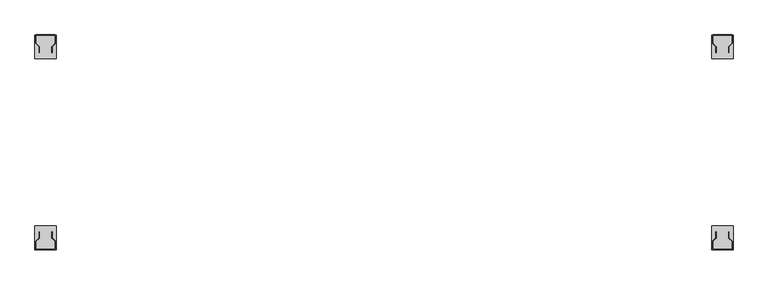
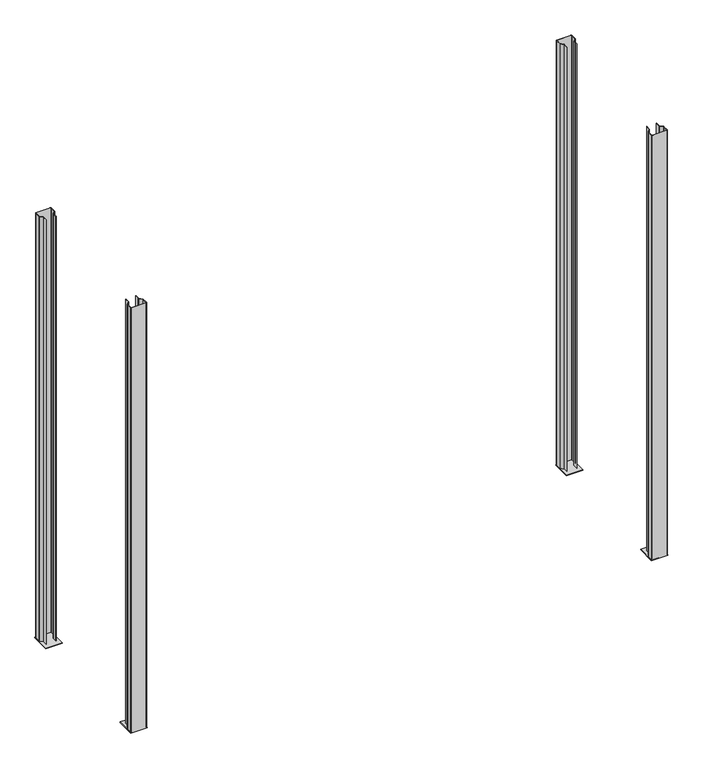
"""IFC4 building model written with IfcOpenShell, lengths in millimetres: furniture geometry."""

from ifc_helpers import new_model, si_unit, frame, origin, place, context, project, spatial, polyline, circle_curve, source, transform, mapped, element, save
from ifc_brep_helpers import plane_surface, cylinder_surface, revolved_surface, advanced_brep


def furniture_7e62ed96(model_context):
    return source(origin(), model_context, "Body", "AdvancedBrep", [
        advanced_brep(
        [(-2.5, 900.0, 3.0), (-2.5, 800.0, 3.0), (87.5, 800.0, 3.0), (87.5, 900.0, 3.0), (82.5, 900.0, 3.0), (85.0, 897.5, 3.0), (85.0, 866.0355339, 3.0), (84.267767, 864.267767, 3.0), (70.2928932, 850.2928932, 3.0), (70.0, 849.5857864, 3.0), (70.0, 825.0, 3.0), (68.5, 825.0, 3.0), (68.5, 849.5857864, 3.0), (69.232233, 851.3535534, 3.0), (83.2071068, 865.3284271, 3.0), (83.5, 866.0355339, 3.0), (83.5, 897.5, 3.0), (82.5, 898.5, 3.0), (2.5, 898.5, 3.0), (1.5, 897.5, 3.0), (1.5, 866.0355339, 3.0), (1.7928932, 865.3284271, 3.0), (15.767767, 851.3535534, 3.0), (16.5, 849.5857864, 3.0), (16.5, 825.0, 3.0), (15.0, 825.0, 3.0), (15.0, 849.5857864, 3.0), (14.7071068, 850.2928932, 3.0), (0.732233, 864.267767, 3.0), (0.0, 866.0355339, 3.0), (0.0, 897.5, 3.0), (2.5, 900.0, 3.0), (-2.5, 900.0, 0.0), (87.5, 900.0, 0.0), (87.5, 800.0, 0.0), (-2.5, 800.0, 0.0), (2.5, 900.0, 2438.4), (82.5, 900.0, 2438.4), (0.0, 897.5, 2438.4), (0.0, 866.0355339, 2438.4), (0.732233, 864.267767, 2438.4), (14.7071068, 850.2928932, 2438.4), (15.0, 849.5857864, 2438.4), (15.0, 825.0, 2438.4), (16.5, 825.0, 2438.4), (16.5, 849.5857864, 2438.4), (15.767767, 851.3535534, 2438.4), (1.7928932, 865.3284271, 2438.4), (1.5, 866.0355339, 2438.4), (1.5, 897.5, 2438.4), (2.5, 898.5, 2438.4), (82.5, 898.5, 2438.4), (83.5, 897.5, 2438.4), (83.5, 866.0355339, 2438.4), (83.2071068, 865.3284271, 2438.4), (69.232233, 851.3535534, 2438.4), (68.5, 849.5857864, 2438.4), (68.5, 825.0, 2438.4), (70.0, 825.0, 2438.4), (70.0, 849.5857864, 2438.4), (70.2928932, 850.2928932, 2438.4), (84.267767, 864.267767, 2438.4), (85.0, 866.0355339, 2438.4), (85.0, 897.5, 2438.4)],
        [
            (0, 1),
            (1, 2),
            (2, 3),
            (3, 4),
            (4, 5, circle_curve(frame((82.5, 897.5, 3.0), z_axis=(0.0, 0.0, -1.0), x_axis=(1.0, 0.0, 0.0)), 2.5)),
            (5, 6),
            (6, 7, circle_curve(frame((82.5, 866.0355339, 3.0), z_axis=(0.0, 0.0, -1.0), x_axis=(1.0, 0.0, 0.0)), 2.5)),
            (7, 8),
            (8, 9, circle_curve(frame((71.0, 849.5857864, 3.0), z_axis=(0.0, 0.0, 1.0), x_axis=(1.0, 0.0, 0.0)), 1.0)),
            (9, 10),
            (10, 11),
            (11, 12),
            (12, 13, circle_curve(frame((71.0, 849.5857864, 3.0), z_axis=(0.0, 0.0, -1.0), x_axis=(1.0, 0.0, 0.0)), 2.5)),
            (13, 14),
            (14, 15, circle_curve(frame((82.5, 866.0355339, 3.0), z_axis=(0.0, 0.0, 1.0), x_axis=(1.0, 0.0, 0.0)), 1.0)),
            (15, 16),
            (16, 17, circle_curve(frame((82.5, 897.5, 3.0), z_axis=(0.0, 0.0, 1.0), x_axis=(1.0, 0.0, 0.0)), 1.0)),
            (17, 18),
            (18, 19, circle_curve(frame((2.5, 897.5, 3.0), z_axis=(0.0, 0.0, 1.0), x_axis=(1.0, 0.0, 0.0)), 1.0)),
            (19, 20),
            (20, 21, circle_curve(frame((2.5, 866.0355339, 3.0), z_axis=(0.0, 0.0, 1.0), x_axis=(1.0, 0.0, 0.0)), 1.0)),
            (21, 22),
            (22, 23, circle_curve(frame((14.0, 849.5857864, 3.0), z_axis=(0.0, 0.0, -1.0), x_axis=(1.0, 0.0, 0.0)), 2.5)),
            (23, 24),
            (24, 25),
            (25, 26),
            (26, 27, circle_curve(frame((14.0, 849.5857864, 3.0), z_axis=(0.0, 0.0, 1.0), x_axis=(1.0, 0.0, 0.0)), 1.0)),
            (27, 28),
            (28, 29, circle_curve(frame((2.5, 866.0355339, 3.0), z_axis=(0.0, 0.0, -1.0), x_axis=(1.0, 0.0, 0.0)), 2.5)),
            (29, 30),
            (30, 31, circle_curve(frame((2.5, 897.5, 3.0), z_axis=(0.0, 0.0, -1.0), x_axis=(1.0, 0.0, 0.0)), 2.5)),
            (31, 0),
            (32, 33),
            (33, 34),
            (34, 35),
            (35, 32),
            (3, 33),
            (32, 0),
            (31, 36),
            (36, 37),
            (37, 4),
            (35, 1),
            (34, 2),
            (36, 38, circle_curve(frame((2.5, 897.5, 2438.4), z_axis=(0.0, 0.0, 1.0), x_axis=(1.0, 0.0, 0.0)), 2.5)),
            (38, 39),
            (39, 40, circle_curve(frame((2.5, 866.0355339, 2438.4), z_axis=(0.0, 0.0, 1.0), x_axis=(1.0, 0.0, 0.0)), 2.5)),
            (40, 41),
            (41, 42, circle_curve(frame((14.0, 849.5857864, 2438.4), z_axis=(0.0, 0.0, -1.0), x_axis=(1.0, 0.0, 0.0)), 1.0)),
            (42, 43),
            (43, 44),
            (44, 45),
            (45, 46, circle_curve(frame((14.0, 849.5857864, 2438.4), z_axis=(0.0, 0.0, 1.0), x_axis=(1.0, 0.0, 0.0)), 2.5)),
            (46, 47),
            (47, 48, circle_curve(frame((2.5, 866.0355339, 2438.4), z_axis=(0.0, 0.0, -1.0), x_axis=(1.0, 0.0, 0.0)), 1.0)),
            (48, 49),
            (49, 50, circle_curve(frame((2.5, 897.5, 2438.4), z_axis=(0.0, 0.0, -1.0), x_axis=(1.0, 0.0, 0.0)), 1.0)),
            (50, 51),
            (51, 52, circle_curve(frame((82.5, 897.5, 2438.4), z_axis=(0.0, 0.0, -1.0), x_axis=(1.0, 0.0, 0.0)), 1.0)),
            (52, 53),
            (53, 54, circle_curve(frame((82.5, 866.0355339, 2438.4), z_axis=(0.0, 0.0, -1.0), x_axis=(1.0, 0.0, 0.0)), 1.0)),
            (54, 55),
            (55, 56, circle_curve(frame((71.0, 849.5857864, 2438.4), z_axis=(0.0, 0.0, 1.0), x_axis=(1.0, 0.0, 0.0)), 2.5)),
            (56, 57),
            (57, 58),
            (58, 59),
            (59, 60, circle_curve(frame((71.0, 849.5857864, 2438.4), z_axis=(0.0, 0.0, -1.0), x_axis=(1.0, 0.0, 0.0)), 1.0)),
            (60, 61),
            (61, 62, circle_curve(frame((82.5, 866.0355339, 2438.4), z_axis=(0.0, 0.0, 1.0), x_axis=(1.0, 0.0, 0.0)), 2.5)),
            (62, 63),
            (63, 37, circle_curve(frame((82.5, 897.5, 2438.4), z_axis=(0.0, 0.0, 1.0), x_axis=(1.0, 0.0, 0.0)), 2.5)),
            (30, 38),
            (29, 39),
            (28, 40),
            (27, 41),
            (26, 42),
            (25, 43),
            (24, 44),
            (23, 45),
            (22, 46),
            (21, 47),
            (20, 48),
            (19, 49),
            (18, 50),
            (17, 51),
            (16, 52),
            (15, 53),
            (14, 54),
            (13, 55),
            (12, 56),
            (11, 57),
            (10, 58),
            (9, 59),
            (8, 60),
            (7, 61),
            (6, 62),
            (5, 63),
        ],
        [
            plane_surface(frame((-2.5, 900.0, 3.0), z_axis=(0.0, 0.0, 1.0), x_axis=(-1.0, 0.0, 0.0))),
            plane_surface(frame((-2.5, 900.0, 0.0), z_axis=(0.0, 0.0, -1.0), x_axis=(1.0, 0.0, 0.0))),
            plane_surface(frame((87.5, 900.0, 3.0), z_axis=(0.0, 1.0, 0.0), x_axis=(0.0, 0.0, -1.0))),
            plane_surface(frame((-2.5, 900.0, 3.0), z_axis=(-1.0, 0.0, 0.0), x_axis=(0.0, 0.0, -1.0))),
            plane_surface(frame((-2.5, 800.0, 3.0), z_axis=(0.0, -1.0, 0.0), x_axis=(0.0, 0.0, -1.0))),
            plane_surface(frame((87.5, 800.0, 3.0), z_axis=(1.0, 0.0, 0.0), x_axis=(0.0, 0.0, -1.0))),
            plane_surface(frame((2.5, 900.0, 2438.4), z_axis=(0.0, 0.0, 1.0), x_axis=(-1.0, 0.0, 0.0))),
            cylinder_surface(frame((2.5, 897.5, 0.0), z_axis=(0.0, 0.0, 1.0), x_axis=(1.0, 0.0, 0.0)), 2.5),
            plane_surface(frame((0.0, 897.5, 2438.4), z_axis=(-1.0, 0.0, 0.0), x_axis=(0.0, 0.0, -1.0))),
            cylinder_surface(frame((2.5, 866.0355339, 0.0), z_axis=(0.0, 0.0, 1.0), x_axis=(1.0, 0.0, 0.0)), 2.5),
            plane_surface(frame((0.732233, 864.267767, 2438.4), z_axis=(-0.707106781186542, -0.7071067811865531, 0.0), x_axis=(0.0, 0.0, -1.0))),
            revolved_surface(polyline([(15.0, 849.5857864, 3.0), (15.0, 849.5857864, 2438.4)]), (14.0, 849.5857864, 0.0), (0.0, 0.0, -1.0)),
            plane_surface(frame((15.0, 849.5857864, 2438.4), z_axis=(-1.0, 0.0, 0.0), x_axis=(0.0, 0.0, -1.0))),
            plane_surface(frame((15.0, 825.0, 2438.4), z_axis=(0.0, -1.0, 0.0), x_axis=(0.0, 0.0, -1.0))),
            plane_surface(frame((16.5, 825.0, 2438.4), z_axis=(1.0, 0.0, 0.0), x_axis=(0.0, 0.0, -1.0))),
            cylinder_surface(frame((14.0, 849.5857864, 0.0), z_axis=(0.0, 0.0, 1.0), x_axis=(1.0, 0.0, 0.0)), 2.5),
            plane_surface(frame((15.767767, 851.3535534, 2438.4), z_axis=(0.7071067811865488, 0.7071067811865464, 0.0), x_axis=(0.0, 0.0, -1.0))),
            revolved_surface(polyline([(3.5, 866.0355339, 3.0), (3.5, 866.0355339, 2438.4)]), (2.5, 866.0355339, 0.0), (0.0, 0.0, -1.0)),
            plane_surface(frame((1.5, 866.0355339, 2438.4), z_axis=(1.0, 0.0, 0.0), x_axis=(0.0, 0.0, -1.0))),
            revolved_surface(polyline([(3.5, 897.5, 3.0), (3.5, 897.5, 2438.4)]), (2.5, 897.5, 0.0), (0.0, 0.0, -1.0)),
            plane_surface(frame((2.5, 898.5, 2438.4), z_axis=(0.0, -1.0, 0.0), x_axis=(0.0, 0.0, -1.0))),
            revolved_surface(polyline([(83.5, 897.5, 3.0), (83.5, 897.5, 2438.4)]), (82.5, 897.5, 0.0), (0.0, 0.0, -1.0)),
            plane_surface(frame((83.5, 897.5, 2438.4), z_axis=(-1.0, 0.0, 0.0), x_axis=(0.0, 0.0, -1.0))),
            revolved_surface(polyline([(83.5, 866.0355339, 3.0), (83.5, 866.0355339, 2438.4)]), (82.5, 866.0355339, 0.0), (0.0, 0.0, -1.0)),
            plane_surface(frame((83.2071068, 865.3284271, 2438.4), z_axis=(-0.7071067811866212, 0.7071067811864739, 0.0), x_axis=(0.0, 0.0, -1.0))),
            cylinder_surface(frame((71.0, 849.5857864, 0.0), z_axis=(0.0, 0.0, 1.0), x_axis=(1.0, 0.0, 0.0)), 2.5),
            plane_surface(frame((68.5, 849.5857864, 2438.4), z_axis=(-1.0, 0.0, 0.0), x_axis=(0.0, 0.0, -1.0))),
            plane_surface(frame((68.5, 825.0, 2438.4), z_axis=(0.0, -1.0, 0.0), x_axis=(0.0, 0.0, -1.0))),
            plane_surface(frame((70.0, 825.0, 2438.4), z_axis=(1.0, 0.0, 0.0), x_axis=(0.0, 0.0, -1.0))),
            revolved_surface(polyline([(72.0, 849.5857864, 3.0), (72.0, 849.5857864, 2438.4)]), (71.0, 849.5857864, 0.0), (0.0, 0.0, -1.0)),
            plane_surface(frame((70.2928932, 850.2928932, 2438.4), z_axis=(0.7071067811866207, -0.7071067811864744, 0.0), x_axis=(0.0, 0.0, -1.0))),
            cylinder_surface(frame((82.5, 866.0355339, 0.0), z_axis=(0.0, 0.0, 1.0), x_axis=(1.0, 0.0, 0.0)), 2.5),
            plane_surface(frame((85.0, 866.0355339, 2438.4), z_axis=(1.0, 0.0, 0.0), x_axis=(0.0, 0.0, -1.0))),
            cylinder_surface(frame((82.5, 897.5, 0.0), z_axis=(0.0, 0.0, 1.0), x_axis=(1.0, 0.0, 0.0)), 2.5),
        ],
        [
            (0, [[1, 2, 3, 4, 5, 6, 7, 8, 9, 10, 11, 12, 13, 14, 15, 16, 17, 18, 19, 20, 21, 22, 23, 24, 25, 26, 27, 28, 29, 30, 31, 32]]),
            (1, [[33, 34, 35, 36]]),
            (2, [[37, -33, 38, -32, 39, 40, 41, -4]]),
            (3, [[-1, -38, -36, 42]]),
            (4, [[-2, -42, -35, 43]]),
            (5, [[-3, -43, -34, -37]]),
            (6, [[-40, 44, 45, 46, 47, 48, 49, 50, 51, 52, 53, 54, 55, 56, 57, 58, 59, 60, 61, 62, 63, 64, 65, 66, 67, 68, 69, 70]]),
            (7, [[-44, -39, -31, 71]]),
            (8, [[-45, -71, -30, 72]]),
            (9, [[-46, -72, -29, 73]]),
            (10, [[-47, -73, -28, 74]]),
            (11, [[-48, -74, -27, 75]]),
            (12, [[-49, -75, -26, 76]]),
            (13, [[-50, -76, -25, 77]]),
            (14, [[-51, -77, -24, 78]]),
            (15, [[-52, -78, -23, 79]]),
            (16, [[-53, -79, -22, 80]]),
            (17, [[-54, -80, -21, 81]]),
            (18, [[-55, -81, -20, 82]]),
            (19, [[-56, -82, -19, 83]]),
            (20, [[-57, -83, -18, 84]]),
            (21, [[-58, -84, -17, 85]]),
            (22, [[-59, -85, -16, 86]]),
            (23, [[-60, -86, -15, 87]]),
            (24, [[-61, -87, -14, 88]]),
            (25, [[-62, -88, -13, 89]]),
            (26, [[-63, -89, -12, 90]]),
            (27, [[-64, -90, -11, 91]]),
            (28, [[-65, -91, -10, 92]]),
            (29, [[-66, -92, -9, 93]]),
            (30, [[-67, -93, -8, 94]]),
            (31, [[-68, -94, -7, 95]]),
            (32, [[-69, -95, -6, 96]]),
            (33, [[-70, -96, -5, -41]]),
        ],
    ),
        advanced_brep(
        [(87.5, 100.0, 3.0), (-2.5, 100.0, 3.0), (-2.5, 0.0, 3.0), (2.5, 0.0, 3.0), (0.0, 2.5, 3.0), (0.0, 33.9644661, 3.0), (0.732233, 35.732233, 3.0), (14.7071068, 49.7071068, 3.0), (15.0, 50.4142136, 3.0), (15.0, 75.0, 3.0), (16.5, 75.0, 3.0), (16.5, 50.4142136, 3.0), (15.767767, 48.6464466, 3.0), (1.7928932, 34.6715729, 3.0), (1.5, 33.9644661, 3.0), (1.5, 2.5, 3.0), (2.5, 1.5, 3.0), (82.5, 1.5, 3.0), (83.5, 2.5, 3.0), (83.5, 33.9644661, 3.0), (83.2071068, 34.6715729, 3.0), (69.232233, 48.6464466, 3.0), (68.5, 50.4142136, 3.0), (68.5, 75.0, 3.0), (70.0, 75.0, 3.0), (70.0, 50.4142136, 3.0), (70.2928932, 49.7071068, 3.0), (84.267767, 35.732233, 3.0), (85.0, 33.9644661, 3.0), (85.0, 2.5, 3.0), (82.5, 0.0, 3.0), (87.5, 0.0, 3.0), (87.5, 100.0, 0.0), (87.5, 0.0, 0.0), (-2.5, 0.0, 0.0), (-2.5, 100.0, 0.0), (82.5, 0.0, 2438.4), (2.5, 0.0, 2438.4), (85.0, 2.5, 2438.4), (85.0, 33.9644661, 2438.4), (84.267767, 35.732233, 2438.4), (70.2928932, 49.7071068, 2438.4), (70.0, 50.4142136, 2438.4), (70.0, 75.0, 2438.4), (68.5, 75.0, 2438.4), (68.5, 50.4142136, 2438.4), (69.232233, 48.6464466, 2438.4), (83.2071068, 34.6715729, 2438.4), (83.5, 33.9644661, 2438.4), (83.5, 2.5, 2438.4), (82.5, 1.5, 2438.4), (2.5, 1.5, 2438.4), (1.5, 2.5, 2438.4), (1.5, 33.9644661, 2438.4), (1.7928932, 34.6715729, 2438.4), (15.767767, 48.6464466, 2438.4), (16.5, 50.4142136, 2438.4), (16.5, 75.0, 2438.4), (15.0, 75.0, 2438.4), (15.0, 50.4142136, 2438.4), (14.7071068, 49.7071068, 2438.4), (0.732233, 35.732233, 2438.4), (0.0, 33.9644661, 2438.4), (0.0, 2.5, 2438.4)],
        [
            (0, 1),
            (1, 2),
            (2, 3),
            (3, 4, circle_curve(frame((2.5, 2.5, 3.0), z_axis=(0.0, 0.0, -1.0), x_axis=(1.0, 0.0, 0.0)), 2.5)),
            (4, 5),
            (5, 6, circle_curve(frame((2.5, 33.9644661, 3.0), z_axis=(0.0, 0.0, -1.0), x_axis=(1.0, 0.0, 0.0)), 2.5)),
            (6, 7),
            (7, 8, circle_curve(frame((14.0, 50.4142136, 3.0), z_axis=(0.0, 0.0, 1.0), x_axis=(1.0, 0.0, 0.0)), 1.0)),
            (8, 9),
            (9, 10),
            (10, 11),
            (11, 12, circle_curve(frame((14.0, 50.4142136, 3.0), z_axis=(0.0, 0.0, -1.0), x_axis=(1.0, 0.0, 0.0)), 2.5)),
            (12, 13),
            (13, 14, circle_curve(frame((2.5, 33.9644661, 3.0), z_axis=(0.0, 0.0, 1.0), x_axis=(1.0, 0.0, 0.0)), 1.0)),
            (14, 15),
            (15, 16, circle_curve(frame((2.5, 2.5, 3.0), z_axis=(0.0, 0.0, 1.0), x_axis=(1.0, 0.0, 0.0)), 1.0)),
            (16, 17),
            (17, 18, circle_curve(frame((82.5, 2.5, 3.0), z_axis=(0.0, 0.0, 1.0), x_axis=(1.0, 0.0, 0.0)), 1.0)),
            (18, 19),
            (19, 20, circle_curve(frame((82.5, 33.9644661, 3.0), z_axis=(0.0, 0.0, 1.0), x_axis=(1.0, 0.0, 0.0)), 1.0)),
            (20, 21),
            (21, 22, circle_curve(frame((71.0, 50.4142136, 3.0), z_axis=(0.0, 0.0, -1.0), x_axis=(1.0, 0.0, 0.0)), 2.5)),
            (22, 23),
            (23, 24),
            (24, 25),
            (25, 26, circle_curve(frame((71.0, 50.4142136, 3.0), z_axis=(0.0, 0.0, 1.0), x_axis=(1.0, 0.0, 0.0)), 1.0)),
            (26, 27),
            (27, 28, circle_curve(frame((82.5, 33.9644661, 3.0), z_axis=(0.0, 0.0, -1.0), x_axis=(1.0, 0.0, 0.0)), 2.5)),
            (28, 29),
            (29, 30, circle_curve(frame((82.5, 2.5, 3.0), z_axis=(0.0, 0.0, -1.0), x_axis=(1.0, 0.0, 0.0)), 2.5)),
            (30, 31),
            (31, 0),
            (32, 33),
            (33, 34),
            (34, 35),
            (35, 32),
            (0, 32),
            (35, 1),
            (34, 2),
            (33, 31),
            (30, 36),
            (36, 37),
            (37, 3),
            (36, 38, circle_curve(frame((82.5, 2.5, 2438.4), z_axis=(0.0, 0.0, 1.0), x_axis=(1.0, 0.0, 0.0)), 2.5)),
            (38, 39),
            (39, 40, circle_curve(frame((82.5, 33.9644661, 2438.4), z_axis=(0.0, 0.0, 1.0), x_axis=(1.0, 0.0, 0.0)), 2.5)),
            (40, 41),
            (41, 42, circle_curve(frame((71.0, 50.4142136, 2438.4), z_axis=(0.0, 0.0, -1.0), x_axis=(1.0, 0.0, 0.0)), 1.0)),
            (42, 43),
            (43, 44),
            (44, 45),
            (45, 46, circle_curve(frame((71.0, 50.4142136, 2438.4), z_axis=(0.0, 0.0, 1.0), x_axis=(1.0, 0.0, 0.0)), 2.5)),
            (46, 47),
            (47, 48, circle_curve(frame((82.5, 33.9644661, 2438.4), z_axis=(0.0, 0.0, -1.0), x_axis=(1.0, 0.0, 0.0)), 1.0)),
            (48, 49),
            (49, 50, circle_curve(frame((82.5, 2.5, 2438.4), z_axis=(0.0, 0.0, -1.0), x_axis=(1.0, 0.0, 0.0)), 1.0)),
            (50, 51),
            (51, 52, circle_curve(frame((2.5, 2.5, 2438.4), z_axis=(0.0, 0.0, -1.0), x_axis=(1.0, 0.0, 0.0)), 1.0)),
            (52, 53),
            (53, 54, circle_curve(frame((2.5, 33.9644661, 2438.4), z_axis=(0.0, 0.0, -1.0), x_axis=(1.0, 0.0, 0.0)), 1.0)),
            (54, 55),
            (55, 56, circle_curve(frame((14.0, 50.4142136, 2438.4), z_axis=(0.0, 0.0, 1.0), x_axis=(1.0, 0.0, 0.0)), 2.5)),
            (56, 57),
            (57, 58),
            (58, 59),
            (59, 60, circle_curve(frame((14.0, 50.4142136, 2438.4), z_axis=(0.0, 0.0, -1.0), x_axis=(1.0, 0.0, 0.0)), 1.0)),
            (60, 61),
            (61, 62, circle_curve(frame((2.5, 33.9644661, 2438.4), z_axis=(0.0, 0.0, 1.0), x_axis=(1.0, 0.0, 0.0)), 2.5)),
            (62, 63),
            (63, 37, circle_curve(frame((2.5, 2.5, 2438.4), z_axis=(0.0, 0.0, 1.0), x_axis=(1.0, 0.0, 0.0)), 2.5)),
            (29, 38),
            (28, 39),
            (27, 40),
            (26, 41),
            (25, 42),
            (24, 43),
            (23, 44),
            (22, 45),
            (21, 46),
            (20, 47),
            (19, 48),
            (18, 49),
            (17, 50),
            (16, 51),
            (15, 52),
            (14, 53),
            (13, 54),
            (12, 55),
            (11, 56),
            (10, 57),
            (9, 58),
            (8, 59),
            (7, 60),
            (6, 61),
            (5, 62),
            (4, 63),
        ],
        [
            plane_surface(frame((-2.5, 900.0, 3.0), z_axis=(0.0, 0.0, 1.0), x_axis=(-1.0, 0.0, 0.0))),
            plane_surface(frame((-2.5, 900.0, 0.0), z_axis=(0.0, 0.0, -1.0), x_axis=(1.0, 0.0, 0.0))),
            plane_surface(frame((87.5, 100.0, 3.0), z_axis=(0.0, 1.0, 0.0), x_axis=(0.0, 0.0, -1.0))),
            plane_surface(frame((-2.5, 100.0, 3.0), z_axis=(-1.0, 0.0, 0.0), x_axis=(0.0, 0.0, -1.0))),
            plane_surface(frame((-2.5, 0.0, 3.0), z_axis=(0.0, -1.0, 0.0), x_axis=(0.0, 0.0, -1.0))),
            plane_surface(frame((87.5, 0.0, 3.0), z_axis=(1.0, 0.0, 0.0), x_axis=(0.0, 0.0, -1.0))),
            plane_surface(frame((2.5, 900.0, 2438.4), z_axis=(0.0, 0.0, 1.0), x_axis=(-1.0, 0.0, 0.0))),
            cylinder_surface(frame((82.5, 2.5, 0.0), z_axis=(0.0, 0.0, 1.0), x_axis=(1.0, 0.0, 0.0)), 2.5),
            plane_surface(frame((85.0, 2.5, 2438.4), z_axis=(1.0, 0.0, 0.0), x_axis=(0.0, 0.0, -1.0))),
            cylinder_surface(frame((82.5, 33.9644661, 0.0), z_axis=(0.0, 0.0, 1.0), x_axis=(1.0, 0.0, 0.0)), 2.5),
            plane_surface(frame((84.267767, 35.732233, 2438.4), z_axis=(0.7071067811864972, 0.707106781186598, 0.0), x_axis=(0.0, 0.0, -1.0))),
            revolved_surface(polyline([(72.0, 50.4142136, 3.0), (72.0, 50.4142136, 2438.4)]), (71.0, 50.4142136, 0.0), (0.0, 0.0, -1.0)),
            plane_surface(frame((70.0, 50.4142136, 2438.4), z_axis=(1.0, 0.0, 0.0), x_axis=(0.0, 0.0, -1.0))),
            plane_surface(frame((70.0, 75.0, 2438.4), z_axis=(0.0, 1.0, 0.0), x_axis=(0.0, 0.0, -1.0))),
            plane_surface(frame((68.5, 75.0, 2438.4), z_axis=(-1.0, 0.0, 0.0), x_axis=(0.0, 0.0, -1.0))),
            cylinder_surface(frame((71.0, 50.4142136, 0.0), z_axis=(0.0, 0.0, 1.0), x_axis=(1.0, 0.0, 0.0)), 2.5),
            plane_surface(frame((69.232233, 48.6464466, 2438.4), z_axis=(-0.7071067811865037, -0.7071067811865913, 0.0), x_axis=(0.0, 0.0, -1.0))),
            revolved_surface(polyline([(83.5, 33.9644661, 3.0), (83.5, 33.9644661, 2438.4)]), (82.5, 33.9644661, 0.0), (0.0, 0.0, -1.0)),
            plane_surface(frame((83.5, 33.9644661, 2438.4), z_axis=(-1.0, 0.0, 0.0), x_axis=(0.0, 0.0, -1.0))),
            revolved_surface(polyline([(83.5, 2.5, 3.0), (83.5, 2.5, 2438.4)]), (82.5, 2.5, 0.0), (0.0, 0.0, -1.0)),
            plane_surface(frame((82.5, 1.5, 2438.4), z_axis=(0.0, 1.0, 0.0), x_axis=(0.0, 0.0, -1.0))),
            revolved_surface(polyline([(3.5, 2.5, 3.0), (3.5, 2.5, 2438.4)]), (2.5, 2.5, 0.0), (0.0, 0.0, -1.0)),
            plane_surface(frame((1.5, 2.5, 2438.4), z_axis=(1.0, 0.0, 0.0), x_axis=(0.0, 0.0, -1.0))),
            revolved_surface(polyline([(3.5, 33.9644661, 3.0), (3.5, 33.9644661, 2438.4)]), (2.5, 33.9644661, 0.0), (0.0, 0.0, -1.0)),
            plane_surface(frame((1.7928932, 34.6715729, 2438.4), z_axis=(0.707106781186615, -0.7071067811864802, 0.0), x_axis=(0.0, 0.0, -1.0))),
            cylinder_surface(frame((14.0, 50.4142136, 0.0), z_axis=(0.0, 0.0, 1.0), x_axis=(1.0, 0.0, 0.0)), 2.5),
            plane_surface(frame((16.5, 50.4142136, 2438.4), z_axis=(1.0, 0.0, 0.0), x_axis=(0.0, 0.0, -1.0))),
            plane_surface(frame((16.5, 75.0, 2438.4), z_axis=(0.0, 1.0, 0.0), x_axis=(0.0, 0.0, -1.0))),
            plane_surface(frame((15.0, 75.0, 2438.4), z_axis=(-1.0, 0.0, 0.0), x_axis=(0.0, 0.0, -1.0))),
            revolved_surface(polyline([(15.0, 50.4142136, 3.0), (15.0, 50.4142136, 2438.4)]), (14.0, 50.4142136, 0.0), (0.0, 0.0, -1.0)),
            plane_surface(frame((14.7071068, 49.7071068, 2438.4), z_axis=(-0.7071067811866304, 0.7071067811864648, 0.0), x_axis=(0.0, 0.0, -1.0))),
            cylinder_surface(frame((2.5, 33.9644661, 0.0), z_axis=(0.0, 0.0, 1.0), x_axis=(1.0, 0.0, 0.0)), 2.5),
            plane_surface(frame((0.0, 33.9644661, 2438.4), z_axis=(-1.0, 0.0, 0.0), x_axis=(0.0, 0.0, -1.0))),
            cylinder_surface(frame((2.5, 2.5, 0.0), z_axis=(0.0, 0.0, 1.0), x_axis=(1.0, 0.0, 0.0)), 2.5),
        ],
        [
            (0, [[1, 2, 3, 4, 5, 6, 7, 8, 9, 10, 11, 12, 13, 14, 15, 16, 17, 18, 19, 20, 21, 22, 23, 24, 25, 26, 27, 28, 29, 30, 31, 32]]),
            (1, [[33, 34, 35, 36]]),
            (2, [[-1, 37, -36, 38]]),
            (3, [[-2, -38, -35, 39]]),
            (4, [[-39, -34, 40, -31, 41, 42, 43, -3]]),
            (5, [[-32, -40, -33, -37]]),
            (6, [[44, 45, 46, 47, 48, 49, 50, 51, 52, 53, 54, 55, 56, 57, 58, 59, 60, 61, 62, 63, 64, 65, 66, 67, 68, 69, 70, -42]]),
            (7, [[-44, -41, -30, 71]]),
            (8, [[-45, -71, -29, 72]]),
            (9, [[-46, -72, -28, 73]]),
            (10, [[-47, -73, -27, 74]]),
            (11, [[-48, -74, -26, 75]]),
            (12, [[-49, -75, -25, 76]]),
            (13, [[-50, -76, -24, 77]]),
            (14, [[-51, -77, -23, 78]]),
            (15, [[-52, -78, -22, 79]]),
            (16, [[-53, -79, -21, 80]]),
            (17, [[-54, -80, -20, 81]]),
            (18, [[-55, -81, -19, 82]]),
            (19, [[-56, -82, -18, 83]]),
            (20, [[-57, -83, -17, 84]]),
            (21, [[-58, -84, -16, 85]]),
            (22, [[-59, -85, -15, 86]]),
            (23, [[-60, -86, -14, 87]]),
            (24, [[-61, -87, -13, 88]]),
            (25, [[-62, -88, -12, 89]]),
            (26, [[-63, -89, -11, 90]]),
            (27, [[-64, -90, -10, 91]]),
            (28, [[-65, -91, -9, 92]]),
            (29, [[-66, -92, -8, 93]]),
            (30, [[-67, -93, -7, 94]]),
            (31, [[-68, -94, -6, 95]]),
            (32, [[-69, -95, -5, 96]]),
            (33, [[-70, -96, -4, -43]]),
        ],
    ),
        advanced_brep(
        [(2915.5, 100.0, 3.0), (2825.5, 100.0, 3.0), (2825.5, 0.0, 3.0), (2830.5, 0.0, 3.0), (2828.0, 2.5, 3.0), (2828.0, 33.9644661, 3.0), (2828.732233, 35.732233, 3.0), (2842.7071068, 49.7071068, 3.0), (2843.0, 50.4142136, 3.0), (2843.0, 75.0, 3.0), (2844.5, 75.0, 3.0), (2844.5, 50.4142136, 3.0), (2843.767767, 48.6464466, 3.0), (2829.7928932, 34.6715729, 3.0), (2829.5, 33.9644661, 3.0), (2829.5, 2.5, 3.0), (2830.5, 1.5, 3.0), (2910.5, 1.5, 3.0), (2911.5, 2.5, 3.0), (2911.5, 33.9644661, 3.0), (2911.2071068, 34.6715729, 3.0), (2897.232233, 48.6464466, 3.0), (2896.5, 50.4142136, 3.0), (2896.5, 75.0, 3.0), (2898.0, 75.0, 3.0), (2898.0, 50.4142136, 3.0), (2898.2928932, 49.7071068, 3.0), (2912.267767, 35.732233, 3.0), (2913.0, 33.9644661, 3.0), (2913.0, 2.5, 3.0), (2910.5, 0.0, 3.0), (2915.5, 0.0, 3.0), (2915.5, 100.0, 0.0), (2915.5, 0.0, 0.0), (2825.5, 0.0, 0.0), (2825.5, 100.0, 0.0), (2910.5, 0.0, 2438.4), (2830.5, 0.0, 2438.4), (2913.0, 2.5, 2438.4), (2913.0, 33.9644661, 2438.4), (2912.267767, 35.732233, 2438.4), (2898.2928932, 49.7071068, 2438.4), (2898.0, 50.4142136, 2438.4), (2898.0, 75.0, 2438.4), (2896.5, 75.0, 2438.4), (2896.5, 50.4142136, 2438.4), (2897.232233, 48.6464466, 2438.4), (2911.2071068, 34.6715729, 2438.4), (2911.5, 33.9644661, 2438.4), (2911.5, 2.5, 2438.4), (2910.5, 1.5, 2438.4), (2830.5, 1.5, 2438.4), (2829.5, 2.5, 2438.4), (2829.5, 33.9644661, 2438.4), (2829.7928932, 34.6715729, 2438.4), (2843.767767, 48.6464466, 2438.4), (2844.5, 50.4142136, 2438.4), (2844.5, 75.0, 2438.4), (2843.0, 75.0, 2438.4), (2843.0, 50.4142136, 2438.4), (2842.7071068, 49.7071068, 2438.4), (2828.732233, 35.732233, 2438.4), (2828.0, 33.9644661, 2438.4), (2828.0, 2.5, 2438.4)],
        [
            (0, 1),
            (1, 2),
            (2, 3),
            (3, 4, circle_curve(frame((2830.5, 2.5, 3.0), z_axis=(0.0, 0.0, -1.0), x_axis=(1.0, 0.0, 0.0)), 2.5)),
            (4, 5),
            (5, 6, circle_curve(frame((2830.5, 33.9644661, 3.0), z_axis=(0.0, 0.0, -1.0), x_axis=(1.0, 0.0, 0.0)), 2.5)),
            (6, 7),
            (7, 8, circle_curve(frame((2842.0, 50.4142136, 3.0), z_axis=(0.0, 0.0, 1.0), x_axis=(1.0, 0.0, 0.0)), 1.0)),
            (8, 9),
            (9, 10),
            (10, 11),
            (11, 12, circle_curve(frame((2842.0, 50.4142136, 3.0), z_axis=(0.0, 0.0, -1.0), x_axis=(1.0, 0.0, 0.0)), 2.5)),
            (12, 13),
            (13, 14, circle_curve(frame((2830.5, 33.9644661, 3.0), z_axis=(0.0, 0.0, 1.0), x_axis=(1.0, 0.0, 0.0)), 1.0)),
            (14, 15),
            (15, 16, circle_curve(frame((2830.5, 2.5, 3.0), z_axis=(0.0, 0.0, 1.0), x_axis=(1.0, 0.0, 0.0)), 1.0)),
            (16, 17),
            (17, 18, circle_curve(frame((2910.5, 2.5, 3.0), z_axis=(0.0, 0.0, 1.0), x_axis=(1.0, 0.0, 0.0)), 1.0)),
            (18, 19),
            (19, 20, circle_curve(frame((2910.5, 33.9644661, 3.0), z_axis=(0.0, 0.0, 1.0), x_axis=(1.0, 0.0, 0.0)), 1.0)),
            (20, 21),
            (21, 22, circle_curve(frame((2899.0, 50.4142136, 3.0), z_axis=(0.0, 0.0, -1.0), x_axis=(1.0, 0.0, 0.0)), 2.5)),
            (22, 23),
            (23, 24),
            (24, 25),
            (25, 26, circle_curve(frame((2899.0, 50.4142136, 3.0), z_axis=(0.0, 0.0, 1.0), x_axis=(1.0, 0.0, 0.0)), 1.0)),
            (26, 27),
            (27, 28, circle_curve(frame((2910.5, 33.9644661, 3.0), z_axis=(0.0, 0.0, -1.0), x_axis=(1.0, 0.0, 0.0)), 2.5)),
            (28, 29),
            (29, 30, circle_curve(frame((2910.5, 2.5, 3.0), z_axis=(0.0, 0.0, -1.0), x_axis=(1.0, 0.0, 0.0)), 2.5)),
            (30, 31),
            (31, 0),
            (32, 33),
            (33, 34),
            (34, 35),
            (35, 32),
            (0, 32),
            (35, 1),
            (34, 2),
            (33, 31),
            (30, 36),
            (36, 37),
            (37, 3),
            (36, 38, circle_curve(frame((2910.5, 2.5, 2438.4), z_axis=(0.0, 0.0, 1.0), x_axis=(1.0, 0.0, 0.0)), 2.5)),
            (38, 39),
            (39, 40, circle_curve(frame((2910.5, 33.9644661, 2438.4), z_axis=(0.0, 0.0, 1.0), x_axis=(1.0, 0.0, 0.0)), 2.5)),
            (40, 41),
            (41, 42, circle_curve(frame((2899.0, 50.4142136, 2438.4), z_axis=(0.0, 0.0, -1.0), x_axis=(1.0, 0.0, 0.0)), 1.0)),
            (42, 43),
            (43, 44),
            (44, 45),
            (45, 46, circle_curve(frame((2899.0, 50.4142136, 2438.4), z_axis=(0.0, 0.0, 1.0), x_axis=(1.0, 0.0, 0.0)), 2.5)),
            (46, 47),
            (47, 48, circle_curve(frame((2910.5, 33.9644661, 2438.4), z_axis=(0.0, 0.0, -1.0), x_axis=(1.0, 0.0, 0.0)), 1.0)),
            (48, 49),
            (49, 50, circle_curve(frame((2910.5, 2.5, 2438.4), z_axis=(0.0, 0.0, -1.0), x_axis=(1.0, 0.0, 0.0)), 1.0)),
            (50, 51),
            (51, 52, circle_curve(frame((2830.5, 2.5, 2438.4), z_axis=(0.0, 0.0, -1.0), x_axis=(1.0, 0.0, 0.0)), 1.0)),
            (52, 53),
            (53, 54, circle_curve(frame((2830.5, 33.9644661, 2438.4), z_axis=(0.0, 0.0, -1.0), x_axis=(1.0, 0.0, 0.0)), 1.0)),
            (54, 55),
            (55, 56, circle_curve(frame((2842.0, 50.4142136, 2438.4), z_axis=(0.0, 0.0, 1.0), x_axis=(1.0, 0.0, 0.0)), 2.5)),
            (56, 57),
            (57, 58),
            (58, 59),
            (59, 60, circle_curve(frame((2842.0, 50.4142136, 2438.4), z_axis=(0.0, 0.0, -1.0), x_axis=(1.0, 0.0, 0.0)), 1.0)),
            (60, 61),
            (61, 62, circle_curve(frame((2830.5, 33.9644661, 2438.4), z_axis=(0.0, 0.0, 1.0), x_axis=(1.0, 0.0, 0.0)), 2.5)),
            (62, 63),
            (63, 37, circle_curve(frame((2830.5, 2.5, 2438.4), z_axis=(0.0, 0.0, 1.0), x_axis=(1.0, 0.0, 0.0)), 2.5)),
            (29, 38),
            (28, 39),
            (27, 40),
            (26, 41),
            (25, 42),
            (24, 43),
            (23, 44),
            (22, 45),
            (21, 46),
            (20, 47),
            (19, 48),
            (18, 49),
            (17, 50),
            (16, 51),
            (15, 52),
            (14, 53),
            (13, 54),
            (12, 55),
            (11, 56),
            (10, 57),
            (9, 58),
            (8, 59),
            (7, 60),
            (6, 61),
            (5, 62),
            (4, 63),
        ],
        [
            plane_surface(frame((-2.5, 900.0, 3.0), z_axis=(0.0, 0.0, 1.0), x_axis=(-1.0, 0.0, 0.0))),
            plane_surface(frame((-2.5, 900.0, 0.0), z_axis=(0.0, 0.0, -1.0), x_axis=(1.0, 0.0, 0.0))),
            plane_surface(frame((2915.5, 100.0, 3.0), z_axis=(0.0, 1.0, 0.0), x_axis=(0.0, 0.0, -1.0))),
            plane_surface(frame((2825.5, 100.0, 3.0), z_axis=(-1.0, 0.0, 0.0), x_axis=(0.0, 0.0, -1.0))),
            plane_surface(frame((2825.5, 0.0, 3.0), z_axis=(0.0, -1.0, 0.0), x_axis=(0.0, 0.0, -1.0))),
            plane_surface(frame((2915.5, 0.0, 3.0), z_axis=(1.0, 0.0, 0.0), x_axis=(0.0, 0.0, -1.0))),
            plane_surface(frame((2.5, 900.0, 2438.4), z_axis=(0.0, 0.0, 1.0), x_axis=(-1.0, 0.0, 0.0))),
            cylinder_surface(frame((2910.5, 2.5, 0.0), z_axis=(0.0, 0.0, 1.0), x_axis=(1.0, 0.0, 0.0)), 2.5),
            plane_surface(frame((2913.0, 2.5, 2438.4), z_axis=(1.0, 0.0, 0.0), x_axis=(0.0, 0.0, -1.0))),
            cylinder_surface(frame((2910.5, 33.9644661, 0.0), z_axis=(0.0, 0.0, 1.0), x_axis=(1.0, 0.0, 0.0)), 2.5),
            plane_surface(frame((2912.267767, 35.732233, 2438.4), z_axis=(0.7071067811864215, 0.7071067811866736, 0.0), x_axis=(0.0, 0.0, -1.0))),
            revolved_surface(polyline([(2900.0, 50.4142136, 3.0), (2900.0, 50.4142136, 2438.4)]), (2899.0, 50.4142136, 0.0), (0.0, 0.0, -1.0)),
            plane_surface(frame((2898.0, 50.4142136, 2438.4), z_axis=(1.0, 0.0, 0.0), x_axis=(0.0, 0.0, -1.0))),
            plane_surface(frame((2898.0, 75.0, 2438.4), z_axis=(0.0, 1.0, 0.0), x_axis=(0.0, 0.0, -1.0))),
            plane_surface(frame((2896.5, 75.0, 2438.4), z_axis=(-1.0, 0.0, 0.0), x_axis=(0.0, 0.0, -1.0))),
            cylinder_surface(frame((2899.0, 50.4142136, 0.0), z_axis=(0.0, 0.0, 1.0), x_axis=(1.0, 0.0, 0.0)), 2.5),
            plane_surface(frame((2897.232233, 48.6464466, 2438.4), z_axis=(-0.7071067811865878, -0.7071067811865073, 0.0), x_axis=(0.0, 0.0, -1.0))),
            revolved_surface(polyline([(2911.5, 33.9644661, 3.0), (2911.5, 33.9644661, 2438.4)]), (2910.5, 33.9644661, 0.0), (0.0, 0.0, -1.0)),
            plane_surface(frame((2911.5, 33.9644661, 2438.4), z_axis=(-1.0, 0.0, 0.0), x_axis=(0.0, 0.0, -1.0))),
            revolved_surface(polyline([(2911.5, 2.5, 3.0), (2911.5, 2.5, 2438.4)]), (2910.5, 2.5, 0.0), (0.0, 0.0, -1.0)),
            plane_surface(frame((2910.5, 1.5, 2438.4), z_axis=(0.0, 1.0, 0.0), x_axis=(0.0, 0.0, -1.0))),
            revolved_surface(polyline([(2831.5, 2.5, 3.0), (2831.5, 2.5, 2438.4)]), (2830.5, 2.5, 0.0), (0.0, 0.0, -1.0)),
            plane_surface(frame((2829.5, 2.5, 2438.4), z_axis=(1.0, 0.0, 0.0), x_axis=(0.0, 0.0, -1.0))),
            revolved_surface(polyline([(2831.5, 33.9644661, 3.0), (2831.5, 33.9644661, 2438.4)]), (2830.5, 33.9644661, 0.0), (0.0, 0.0, -1.0)),
            plane_surface(frame((2829.7928932, 34.6715729, 2438.4), z_axis=(0.7071067811864611, -0.707106781186634, 0.0), x_axis=(0.0, 0.0, -1.0))),
            cylinder_surface(frame((2842.0, 50.4142136, 0.0), z_axis=(0.0, 0.0, 1.0), x_axis=(1.0, 0.0, 0.0)), 2.5),
            plane_surface(frame((2844.5, 50.4142136, 2438.4), z_axis=(1.0, 0.0, 0.0), x_axis=(0.0, 0.0, -1.0))),
            plane_surface(frame((2844.5, 75.0, 2438.4), z_axis=(0.0, 1.0, 0.0), x_axis=(0.0, 0.0, -1.0))),
            plane_surface(frame((2843.0, 75.0, 2438.4), z_axis=(-1.0, 0.0, 0.0), x_axis=(0.0, 0.0, -1.0))),
            revolved_surface(polyline([(2843.0, 50.4142136, 3.0), (2843.0, 50.4142136, 2438.4)]), (2842.0, 50.4142136, 0.0), (0.0, 0.0, -1.0)),
            plane_surface(frame((2842.7071068, 49.7071068, 2438.4), z_axis=(-0.7071067811864604, 0.7071067811866346, 0.0), x_axis=(0.0, 0.0, -1.0))),
            cylinder_surface(frame((2830.5, 33.9644661, 0.0), z_axis=(0.0, 0.0, 1.0), x_axis=(1.0, 0.0, 0.0)), 2.5),
            plane_surface(frame((2828.0, 33.9644661, 2438.4), z_axis=(-1.0, 0.0, 0.0), x_axis=(0.0, 0.0, -1.0))),
            cylinder_surface(frame((2830.5, 2.5, 0.0), z_axis=(0.0, 0.0, 1.0), x_axis=(1.0, 0.0, 0.0)), 2.5),
        ],
        [
            (0, [[1, 2, 3, 4, 5, 6, 7, 8, 9, 10, 11, 12, 13, 14, 15, 16, 17, 18, 19, 20, 21, 22, 23, 24, 25, 26, 27, 28, 29, 30, 31, 32]]),
            (1, [[33, 34, 35, 36]]),
            (2, [[-1, 37, -36, 38]]),
            (3, [[-2, -38, -35, 39]]),
            (4, [[-39, -34, 40, -31, 41, 42, 43, -3]]),
            (5, [[-32, -40, -33, -37]]),
            (6, [[-42, 44, 45, 46, 47, 48, 49, 50, 51, 52, 53, 54, 55, 56, 57, 58, 59, 60, 61, 62, 63, 64, 65, 66, 67, 68, 69, 70]]),
            (7, [[-44, -41, -30, 71]]),
            (8, [[-45, -71, -29, 72]]),
            (9, [[-46, -72, -28, 73]]),
            (10, [[-47, -73, -27, 74]]),
            (11, [[-48, -74, -26, 75]]),
            (12, [[-49, -75, -25, 76]]),
            (13, [[-50, -76, -24, 77]]),
            (14, [[-51, -77, -23, 78]]),
            (15, [[-52, -78, -22, 79]]),
            (16, [[-53, -79, -21, 80]]),
            (17, [[-54, -80, -20, 81]]),
            (18, [[-55, -81, -19, 82]]),
            (19, [[-56, -82, -18, 83]]),
            (20, [[-57, -83, -17, 84]]),
            (21, [[-58, -84, -16, 85]]),
            (22, [[-59, -85, -15, 86]]),
            (23, [[-60, -86, -14, 87]]),
            (24, [[-61, -87, -13, 88]]),
            (25, [[-62, -88, -12, 89]]),
            (26, [[-63, -89, -11, 90]]),
            (27, [[-64, -90, -10, 91]]),
            (28, [[-65, -91, -9, 92]]),
            (29, [[-66, -92, -8, 93]]),
            (30, [[-67, -93, -7, 94]]),
            (31, [[-68, -94, -6, 95]]),
            (32, [[-69, -95, -5, 96]]),
            (33, [[-70, -96, -4, -43]]),
        ],
    ),
        advanced_brep(
        [(2825.5, 900.0, 3.0), (2825.5, 800.0, 3.0), (2915.5, 800.0, 3.0), (2915.5, 900.0, 3.0), (2910.5, 900.0, 3.0), (2913.0, 897.5, 3.0), (2913.0, 866.0355339, 3.0), (2912.267767, 864.267767, 3.0), (2898.2928932, 850.2928932, 3.0), (2898.0, 849.5857864, 3.0), (2898.0, 825.0, 3.0), (2896.5, 825.0, 3.0), (2896.5, 849.5857864, 3.0), (2897.232233, 851.3535534, 3.0), (2911.2071068, 865.3284271, 3.0), (2911.5, 866.0355339, 3.0), (2911.5, 897.5, 3.0), (2910.5, 898.5, 3.0), (2830.5, 898.5, 3.0), (2829.5, 897.5, 3.0), (2829.5, 866.0355339, 3.0), (2829.7928932, 865.3284271, 3.0), (2843.767767, 851.3535534, 3.0), (2844.5, 849.5857864, 3.0), (2844.5, 825.0, 3.0), (2843.0, 825.0, 3.0), (2843.0, 849.5857864, 3.0), (2842.7071068, 850.2928932, 3.0), (2828.732233, 864.267767, 3.0), (2828.0, 866.0355339, 3.0), (2828.0, 897.5, 3.0), (2830.5, 900.0, 3.0), (2825.5, 900.0, 0.0), (2915.5, 900.0, 0.0), (2915.5, 800.0, 0.0), (2825.5, 800.0, 0.0), (2830.5, 900.0, 2438.4), (2910.5, 900.0, 2438.4), (2828.0, 897.5, 2438.4), (2828.0, 866.0355339, 2438.4), (2828.732233, 864.267767, 2438.4), (2842.7071068, 850.2928932, 2438.4), (2843.0, 849.5857864, 2438.4), (2843.0, 825.0, 2438.4), (2844.5, 825.0, 2438.4), (2844.5, 849.5857864, 2438.4), (2843.767767, 851.3535534, 2438.4), (2829.7928932, 865.3284271, 2438.4), (2829.5, 866.0355339, 2438.4), (2829.5, 897.5, 2438.4), (2830.5, 898.5, 2438.4), (2910.5, 898.5, 2438.4), (2911.5, 897.5, 2438.4), (2911.5, 866.0355339, 2438.4), (2911.2071068, 865.3284271, 2438.4), (2897.232233, 851.3535534, 2438.4), (2896.5, 849.5857864, 2438.4), (2896.5, 825.0, 2438.4), (2898.0, 825.0, 2438.4), (2898.0, 849.5857864, 2438.4), (2898.2928932, 850.2928932, 2438.4), (2912.267767, 864.267767, 2438.4), (2913.0, 866.0355339, 2438.4), (2913.0, 897.5, 2438.4)],
        [
            (0, 1),
            (1, 2),
            (2, 3),
            (3, 4),
            (4, 5, circle_curve(frame((2910.5, 897.5, 3.0), z_axis=(0.0, 0.0, -1.0), x_axis=(1.0, 0.0, 0.0)), 2.5)),
            (5, 6),
            (6, 7, circle_curve(frame((2910.5, 866.0355339, 3.0), z_axis=(0.0, 0.0, -1.0), x_axis=(1.0, 0.0, 0.0)), 2.5)),
            (7, 8),
            (8, 9, circle_curve(frame((2899.0, 849.5857864, 3.0), z_axis=(0.0, 0.0, 1.0), x_axis=(1.0, 0.0, 0.0)), 1.0)),
            (9, 10),
            (10, 11),
            (11, 12),
            (12, 13, circle_curve(frame((2899.0, 849.5857864, 3.0), z_axis=(0.0, 0.0, -1.0), x_axis=(1.0, 0.0, 0.0)), 2.5)),
            (13, 14),
            (14, 15, circle_curve(frame((2910.5, 866.0355339, 3.0), z_axis=(0.0, 0.0, 1.0), x_axis=(1.0, 0.0, 0.0)), 1.0)),
            (15, 16),
            (16, 17, circle_curve(frame((2910.5, 897.5, 3.0), z_axis=(0.0, 0.0, 1.0), x_axis=(1.0, 0.0, 0.0)), 1.0)),
            (17, 18),
            (18, 19, circle_curve(frame((2830.5, 897.5, 3.0), z_axis=(0.0, 0.0, 1.0), x_axis=(1.0, 0.0, 0.0)), 1.0)),
            (19, 20),
            (20, 21, circle_curve(frame((2830.5, 866.0355339, 3.0), z_axis=(0.0, 0.0, 1.0), x_axis=(1.0, 0.0, 0.0)), 1.0)),
            (21, 22),
            (22, 23, circle_curve(frame((2842.0, 849.5857864, 3.0), z_axis=(0.0, 0.0, -1.0), x_axis=(1.0, 0.0, 0.0)), 2.5)),
            (23, 24),
            (24, 25),
            (25, 26),
            (26, 27, circle_curve(frame((2842.0, 849.5857864, 3.0), z_axis=(0.0, 0.0, 1.0), x_axis=(1.0, 0.0, 0.0)), 1.0)),
            (27, 28),
            (28, 29, circle_curve(frame((2830.5, 866.0355339, 3.0), z_axis=(0.0, 0.0, -1.0), x_axis=(1.0, 0.0, 0.0)), 2.5)),
            (29, 30),
            (30, 31, circle_curve(frame((2830.5, 897.5, 3.0), z_axis=(0.0, 0.0, -1.0), x_axis=(1.0, 0.0, 0.0)), 2.5)),
            (31, 0),
            (32, 33),
            (33, 34),
            (34, 35),
            (35, 32),
            (3, 33),
            (32, 0),
            (31, 36),
            (36, 37),
            (37, 4),
            (35, 1),
            (34, 2),
            (36, 38, circle_curve(frame((2830.5, 897.5, 2438.4), z_axis=(0.0, 0.0, 1.0), x_axis=(1.0, 0.0, 0.0)), 2.5)),
            (38, 39),
            (39, 40, circle_curve(frame((2830.5, 866.0355339, 2438.4), z_axis=(0.0, 0.0, 1.0), x_axis=(1.0, 0.0, 0.0)), 2.5)),
            (40, 41),
            (41, 42, circle_curve(frame((2842.0, 849.5857864, 2438.4), z_axis=(0.0, 0.0, -1.0), x_axis=(1.0, 0.0, 0.0)), 1.0)),
            (42, 43),
            (43, 44),
            (44, 45),
            (45, 46, circle_curve(frame((2842.0, 849.5857864, 2438.4), z_axis=(0.0, 0.0, 1.0), x_axis=(1.0, 0.0, 0.0)), 2.5)),
            (46, 47),
            (47, 48, circle_curve(frame((2830.5, 866.0355339, 2438.4), z_axis=(0.0, 0.0, -1.0), x_axis=(1.0, 0.0, 0.0)), 1.0)),
            (48, 49),
            (49, 50, circle_curve(frame((2830.5, 897.5, 2438.4), z_axis=(0.0, 0.0, -1.0), x_axis=(1.0, 0.0, 0.0)), 1.0)),
            (50, 51),
            (51, 52, circle_curve(frame((2910.5, 897.5, 2438.4), z_axis=(0.0, 0.0, -1.0), x_axis=(1.0, 0.0, 0.0)), 1.0)),
            (52, 53),
            (53, 54, circle_curve(frame((2910.5, 866.0355339, 2438.4), z_axis=(0.0, 0.0, -1.0), x_axis=(1.0, 0.0, 0.0)), 1.0)),
            (54, 55),
            (55, 56, circle_curve(frame((2899.0, 849.5857864, 2438.4), z_axis=(0.0, 0.0, 1.0), x_axis=(1.0, 0.0, 0.0)), 2.5)),
            (56, 57),
            (57, 58),
            (58, 59),
            (59, 60, circle_curve(frame((2899.0, 849.5857864, 2438.4), z_axis=(0.0, 0.0, -1.0), x_axis=(1.0, 0.0, 0.0)), 1.0)),
            (60, 61),
            (61, 62, circle_curve(frame((2910.5, 866.0355339, 2438.4), z_axis=(0.0, 0.0, 1.0), x_axis=(1.0, 0.0, 0.0)), 2.5)),
            (62, 63),
            (63, 37, circle_curve(frame((2910.5, 897.5, 2438.4), z_axis=(0.0, 0.0, 1.0), x_axis=(1.0, 0.0, 0.0)), 2.5)),
            (30, 38),
            (29, 39),
            (28, 40),
            (27, 41),
            (26, 42),
            (25, 43),
            (24, 44),
            (23, 45),
            (22, 46),
            (21, 47),
            (20, 48),
            (19, 49),
            (18, 50),
            (17, 51),
            (16, 52),
            (15, 53),
            (14, 54),
            (13, 55),
            (12, 56),
            (11, 57),
            (10, 58),
            (9, 59),
            (8, 60),
            (7, 61),
            (6, 62),
            (5, 63),
        ],
        [
            plane_surface(frame((-2.5, 900.0, 3.0), z_axis=(0.0, 0.0, 1.0), x_axis=(-1.0, 0.0, 0.0))),
            plane_surface(frame((-2.5, 900.0, 0.0), z_axis=(0.0, 0.0, -1.0), x_axis=(1.0, 0.0, 0.0))),
            plane_surface(frame((2915.5, 900.0, 3.0), z_axis=(0.0, 1.0, 0.0), x_axis=(0.0, 0.0, -1.0))),
            plane_surface(frame((2825.5, 900.0, 3.0), z_axis=(-1.0, 0.0, 0.0), x_axis=(0.0, 0.0, -1.0))),
            plane_surface(frame((2825.5, 800.0, 3.0), z_axis=(0.0, -1.0, 0.0), x_axis=(0.0, 0.0, -1.0))),
            plane_surface(frame((2915.5, 800.0, 3.0), z_axis=(1.0, 0.0, 0.0), x_axis=(0.0, 0.0, -1.0))),
            plane_surface(frame((2.5, 900.0, 2438.4), z_axis=(0.0, 0.0, 1.0), x_axis=(-1.0, 0.0, 0.0))),
            cylinder_surface(frame((2830.5, 897.5, 0.0), z_axis=(0.0, 0.0, 1.0), x_axis=(1.0, 0.0, 0.0)), 2.5),
            plane_surface(frame((2828.0, 897.5, 2438.4), z_axis=(-1.0, 0.0, 0.0), x_axis=(0.0, 0.0, -1.0))),
            cylinder_surface(frame((2830.5, 866.0355339, 0.0), z_axis=(0.0, 0.0, 1.0), x_axis=(1.0, 0.0, 0.0)), 2.5),
            plane_surface(frame((2828.732233, 864.267767, 2438.4), z_axis=(-0.7071067811864482, -0.7071067811866468, 0.0), x_axis=(0.0, 0.0, -1.0))),
            revolved_surface(polyline([(2843.0, 849.5857864, 3.0), (2843.0, 849.5857864, 2438.4)]), (2842.0, 849.5857864, 0.0), (0.0, 0.0, -1.0)),
            plane_surface(frame((2843.0, 849.5857864, 2438.4), z_axis=(-1.0, 0.0, 0.0), x_axis=(0.0, 0.0, -1.0))),
            plane_surface(frame((2843.0, 825.0, 2438.4), z_axis=(0.0, -1.0, 0.0), x_axis=(0.0, 0.0, -1.0))),
            plane_surface(frame((2844.5, 825.0, 2438.4), z_axis=(1.0, 0.0, 0.0), x_axis=(0.0, 0.0, -1.0))),
            cylinder_surface(frame((2842.0, 849.5857864, 0.0), z_axis=(0.0, 0.0, 1.0), x_axis=(1.0, 0.0, 0.0)), 2.5),
            plane_surface(frame((2843.767767, 851.3535534, 2438.4), z_axis=(0.7071067811864413, 0.7071067811866537, 0.0), x_axis=(0.0, 0.0, -1.0))),
            revolved_surface(polyline([(2831.5, 866.0355339, 3.0), (2831.5, 866.0355339, 2438.4)]), (2830.5, 866.0355339, 0.0), (0.0, 0.0, -1.0)),
            plane_surface(frame((2829.5, 866.0355339, 2438.4), z_axis=(1.0, 0.0, 0.0), x_axis=(0.0, 0.0, -1.0))),
            revolved_surface(polyline([(2831.5, 897.5, 3.0), (2831.5, 897.5, 2438.4)]), (2830.5, 897.5, 0.0), (0.0, 0.0, -1.0)),
            plane_surface(frame((2830.5, 898.5, 2438.4), z_axis=(0.0, -1.0, 0.0), x_axis=(0.0, 0.0, -1.0))),
            revolved_surface(polyline([(2911.5, 897.5, 3.0), (2911.5, 897.5, 2438.4)]), (2910.5, 897.5, 0.0), (0.0, 0.0, -1.0)),
            plane_surface(frame((2911.5, 897.5, 2438.4), z_axis=(-1.0, 0.0, 0.0), x_axis=(0.0, 0.0, -1.0))),
            revolved_surface(polyline([(2911.5, 866.0355339, 3.0), (2911.5, 866.0355339, 2438.4)]), (2910.5, 866.0355339, 0.0), (0.0, 0.0, -1.0)),
            plane_surface(frame((2911.2071068, 865.3284271, 2438.4), z_axis=(-0.7071067811865064, 0.7071067811865887, 0.0), x_axis=(0.0, 0.0, -1.0))),
            cylinder_surface(frame((2899.0, 849.5857864, 0.0), z_axis=(0.0, 0.0, 1.0), x_axis=(1.0, 0.0, 0.0)), 2.5),
            plane_surface(frame((2896.5, 849.5857864, 2438.4), z_axis=(-1.0, 0.0, 0.0), x_axis=(0.0, 0.0, -1.0))),
            plane_surface(frame((2896.5, 825.0, 2438.4), z_axis=(0.0, -1.0, 0.0), x_axis=(0.0, 0.0, -1.0))),
            plane_surface(frame((2898.0, 825.0, 2438.4), z_axis=(1.0, 0.0, 0.0), x_axis=(0.0, 0.0, -1.0))),
            revolved_surface(polyline([(2900.0, 849.5857864, 3.0), (2900.0, 849.5857864, 2438.4)]), (2899.0, 849.5857864, 0.0), (0.0, 0.0, -1.0)),
            plane_surface(frame((2898.2928932, 850.2928932, 2438.4), z_axis=(0.7071067811868078, -0.7071067811862872, 0.0), x_axis=(0.0, 0.0, -1.0))),
            cylinder_surface(frame((2910.5, 866.0355339, 0.0), z_axis=(0.0, 0.0, 1.0), x_axis=(1.0, 0.0, 0.0)), 2.5),
            plane_surface(frame((2913.0, 866.0355339, 2438.4), z_axis=(1.0, 0.0, 0.0), x_axis=(0.0, 0.0, -1.0))),
            cylinder_surface(frame((2910.5, 897.5, 0.0), z_axis=(0.0, 0.0, 1.0), x_axis=(1.0, 0.0, 0.0)), 2.5),
        ],
        [
            (0, [[1, 2, 3, 4, 5, 6, 7, 8, 9, 10, 11, 12, 13, 14, 15, 16, 17, 18, 19, 20, 21, 22, 23, 24, 25, 26, 27, 28, 29, 30, 31, 32]]),
            (1, [[33, 34, 35, 36]]),
            (2, [[37, -33, 38, -32, 39, 40, 41, -4]]),
            (3, [[-1, -38, -36, 42]]),
            (4, [[-2, -42, -35, 43]]),
            (5, [[-3, -43, -34, -37]]),
            (6, [[44, 45, 46, 47, 48, 49, 50, 51, 52, 53, 54, 55, 56, 57, 58, 59, 60, 61, 62, 63, 64, 65, 66, 67, 68, 69, 70, -40]]),
            (7, [[-44, -39, -31, 71]]),
            (8, [[-45, -71, -30, 72]]),
            (9, [[-46, -72, -29, 73]]),
            (10, [[-47, -73, -28, 74]]),
            (11, [[-48, -74, -27, 75]]),
            (12, [[-49, -75, -26, 76]]),
            (13, [[-50, -76, -25, 77]]),
            (14, [[-51, -77, -24, 78]]),
            (15, [[-52, -78, -23, 79]]),
            (16, [[-53, -79, -22, 80]]),
            (17, [[-54, -80, -21, 81]]),
            (18, [[-55, -81, -20, 82]]),
            (19, [[-56, -82, -19, 83]]),
            (20, [[-57, -83, -18, 84]]),
            (21, [[-58, -84, -17, 85]]),
            (22, [[-59, -85, -16, 86]]),
            (23, [[-60, -86, -15, 87]]),
            (24, [[-61, -87, -14, 88]]),
            (25, [[-62, -88, -13, 89]]),
            (26, [[-63, -89, -12, 90]]),
            (27, [[-64, -90, -11, 91]]),
            (28, [[-65, -91, -10, 92]]),
            (29, [[-66, -92, -9, 93]]),
            (30, [[-67, -93, -8, 94]]),
            (31, [[-68, -94, -7, 95]]),
            (32, [[-69, -95, -6, 96]]),
            (33, [[-70, -96, -5, -41]]),
        ],
    ),
    ])


if __name__ == "__main__":
    model = new_model("IFC4")
    model_context = context("Model", 3, world=origin())
    ifc_project = project(units=[si_unit("LENGTHUNIT", "METRE", prefix="MILLI")], contexts=[model_context])
    site = spatial("IfcSite", under=ifc_project)
    building = spatial("IfcBuilding", under=site)
    placement = place(None, origin())
    furniture_shape = furniture_7e62ed96(model_context)
    element("IfcFurniture", 1, at=placement, inside=building, context=model_context, shape_type="MappedRepresentation", body=[
        mapped(furniture_shape, transform((0.0, 0.0, 0.0), x_axis=(1.0, 0.0, 0.0), y_axis=(0.0, 1.0, 0.0), z_axis=(0.0, 0.0, 1.0))),
    ])
    save(model, "model.ifc")
